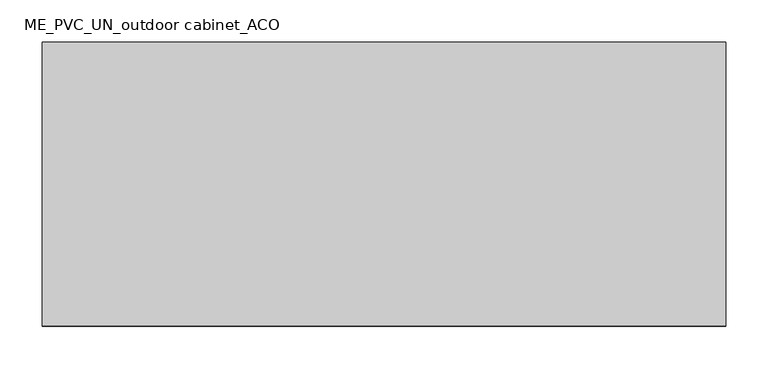
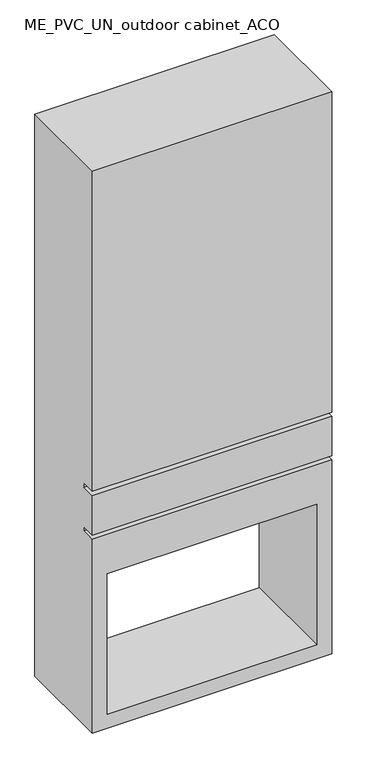
"""IFC4 building model written with IfcOpenShell, lengths in millimetres: furniture geometry, ME_PVC_UN_outdoor cabinet_ACO."""

from ifc_helpers import new_model, si_unit, origin, place, context, project, spatial, faceted_brep, source, transform, mapped, element, save


def me_pvc_un_outdoor_cabinet_aco_4450328b(model_context):
    return source(origin(), model_context, "Body", "Brep", [
        faceted_brep([(403.0, 0.0, 1400.0), (-403.0, 0.0, 1400.0), (-403.0, 0.0, 260.0), (403.0, 0.0, 260.0), (-403.0, 0.0, -600.0), (403.0, 0.0, -600.0), (403.0, 0.0, 90.0), (-403.0, 0.0, 90.0), (353.0, 0.0, -550.0), (-353.0, 0.0, -550.0), (-353.0, 0.0, -50.0), (353.0, 0.0, -50.0), (-403.0, 0.0, 245.0), (-403.0, 0.0, 105.0), (403.0, 0.0, 105.0), (403.0, 0.0, 245.0), (403.0, 335.0, 1400.0), (403.0, 335.0, -600.0), (-403.0, 335.0, -600.0), (-403.0, 335.0, 1400.0), (-353.0, 335.0, -550.0), (353.0, 335.0, -550.0), (353.0, 335.0, -50.0), (-353.0, 335.0, -50.0), (-403.0, 50.0, 90.0), (-403.0, 50.0, 105.0), (-403.0, 50.0, 245.0), (-403.0, 50.0, 260.0), (403.0, 50.0, 260.0), (403.0, 50.0, 245.0), (403.0, 50.0, 105.0), (403.0, 50.0, 90.0)], [[[0, 1, 2, 3]], [[4, 5, 6, 7], [8, 9, 10, 11]], [[12, 13, 14, 15]], [[16, 17, 18, 19], [20, 21, 22, 23]], [[1, 0, 16, 19]], [[19, 18, 4, 7, 24, 25, 13, 12, 26, 27, 2, 1]], [[5, 4, 18, 17]], [[17, 16, 0, 3, 28, 29, 15, 14, 30, 31, 6, 5]], [[8, 21, 20, 9]], [[21, 8, 11, 22]], [[22, 11, 10, 23]], [[9, 20, 23, 10]], [[30, 25, 24, 31]], [[28, 27, 26, 29]], [[25, 30, 14, 13]], [[31, 24, 7, 6]], [[27, 28, 3, 2]], [[29, 26, 12, 15]]]),
    ])


if __name__ == "__main__":
    model = new_model("IFC4")
    model_context = context("Model", 3, world=origin())
    ifc_project = project(units=[si_unit("LENGTHUNIT", "METRE", prefix="MILLI")], contexts=[model_context])
    site = spatial("IfcSite", under=ifc_project)
    building = spatial("IfcBuilding", under=site)
    placement = place(None, origin())
    me_pvc_un_outdoor_cabinet_aco_shape = me_pvc_un_outdoor_cabinet_aco_4450328b(model_context)
    element("IfcFurniture", 1, ObjectType="ME_PVC_UN_outdoor cabinet_ACO", at=placement, inside=building, context=model_context, shape_type="MappedRepresentation", body=[
        mapped(me_pvc_un_outdoor_cabinet_aco_shape, transform((0.0, 0.0, 0.0), x_axis=(1.0, 0.0, 0.0), y_axis=(0.0, 1.0, 0.0), z_axis=(0.0, 0.0, 1.0))),
    ])
    save(model, "model.ifc")
